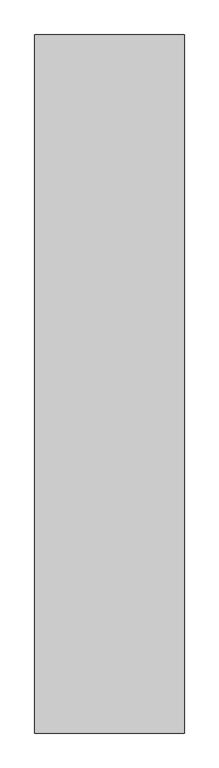
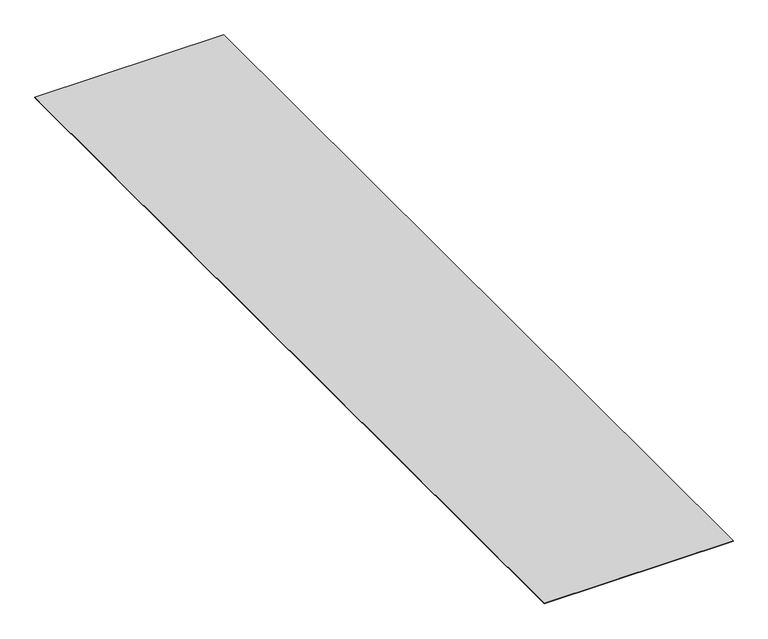
"""IFC4 building model written with IfcOpenShell, lengths in millimetres: proxy geometry."""

from ifc_helpers import new_model, si_unit, origin, origin_with_axes, place, context, project, spatial, polyline, outline, extrude, source, transform, mapped, element, save


def specialty_equipment_255f3daa(model_context):
    return source(origin(), model_context, "Body", "SweptSolid", [
        extrude(outline(polyline([(457.2, -2743.2), (-457.2, -2743.2), (-457.2, 1524.0), (457.2, 1524.0), (457.2, -2743.2)])), origin_with_axes(), (0.0, 0.0, 1.0), 1.5875),
    ])


if __name__ == "__main__":
    model = new_model("IFC4")
    model_context = context("Model", 3, world=origin())
    ifc_project = project(units=[si_unit("LENGTHUNIT", "METRE", prefix="MILLI")], contexts=[model_context])
    site = spatial("IfcSite", under=ifc_project)
    building = spatial("IfcBuilding", under=site)
    placement = place(None, origin())
    specialty_equipment_shape = specialty_equipment_255f3daa(model_context)
    element("IfcBuildingElementProxy", 1, Name="Specialty Equipment", at=placement, inside=building, context=model_context, shape_type="MappedRepresentation", body=[
        mapped(specialty_equipment_shape, transform((0.0, 0.0, 0.0), x_axis=(1.0, 0.0, 0.0), y_axis=(0.0, 1.0, 0.0), z_axis=(0.0, 0.0, 1.0))),
    ])
    save(model, "model.ifc")
